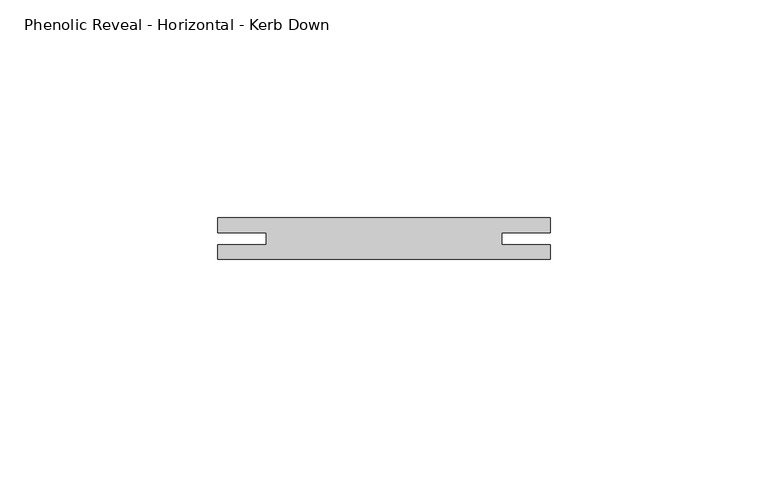
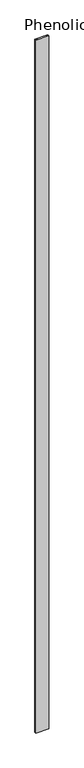
"""IFC4 building model written with IfcOpenShell, lengths in millimetres: proxy geometry, Phenolic Reveal - Horizontal - Kerb Down."""

from ifc_helpers import new_model, si_unit, origin, place, context, project, spatial, faceted_brep, source, transform, mapped, element, save


def phenolic_reveal_horizontal_kerb_down_6056dde4(model_context):
    return source(origin(), model_context, "Body", "Brep", [
        faceted_brep([(76.2, 9.525, 0.0), (76.2, 9.525, 4314.825), (76.2, 6.0765851, 4314.825), (76.2, 6.0765851, 0.0), (76.2, 0.0, 4314.825), (76.2, 0.0, 0.0), (76.2, 3.3757545, 0.0), (76.2, 3.3757545, 4314.825), (0.0, 9.525, 0.0), (0.0, 6.0765851, 0.0), (0.0, 6.0765851, 4314.825), (0.0, 9.525, 4314.825), (0.0, 3.3757545, 4314.825), (0.0, 3.3757545, 0.0), (0.0, 0.0, 0.0), (0.0, 0.0, 4314.825), (11.1125, 6.0765851, 4314.825), (11.1125, 3.3757545, 4314.825), (65.0875, 3.3757545, 4314.825), (65.0875, 6.0765851, 4314.825), (11.1125, 3.3757545, 10.8408985), (65.0875, 3.3757545, 10.8408985), (11.1125, 6.0765851, 10.8408985), (65.0875, 6.0765851, 10.8408985)], [[[0, 1, 2, 3]], [[4, 5, 6, 7]], [[8, 9, 10, 11]], [[12, 13, 14, 15]], [[1, 0, 8, 11]], [[1, 11, 10, 16, 17, 12, 15, 4, 7, 18, 19, 2]], [[5, 4, 15, 14]], [[13, 6, 5, 14]], [[12, 17, 20, 21, 18, 7, 6, 13]], [[21, 20, 22, 23]], [[2, 19, 23, 22, 16, 10, 9, 3]], [[0, 3, 9, 8]], [[18, 21, 23, 19]], [[20, 17, 16, 22]]]),
    ])


if __name__ == "__main__":
    model = new_model("IFC4")
    model_context = context("Model", 3, world=origin())
    ifc_project = project(units=[si_unit("LENGTHUNIT", "METRE", prefix="MILLI")], contexts=[model_context])
    site = spatial("IfcSite", under=ifc_project)
    building = spatial("IfcBuilding", under=site)
    placement = place(None, origin())
    phenolic_reveal_horizontal_kerb_down_shape = phenolic_reveal_horizontal_kerb_down_6056dde4(model_context)
    element("IfcBuildingElementProxy", 1, Name="Phenolic Reveal - Horizontal - Kerb Down", ObjectType="Phenolic Reveal - Horizontal - Kerb Down", at=placement, inside=building, context=model_context, shape_type="MappedRepresentation", body=[
        mapped(phenolic_reveal_horizontal_kerb_down_shape, transform((0.0, 0.0, 0.0), x_axis=(1.0, 0.0, 0.0), y_axis=(0.0, 1.0, 0.0), z_axis=(0.0, 0.0, 1.0))),
    ])
    save(model, "model.ifc")
